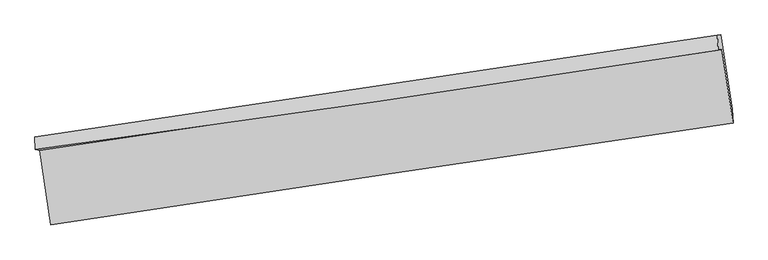
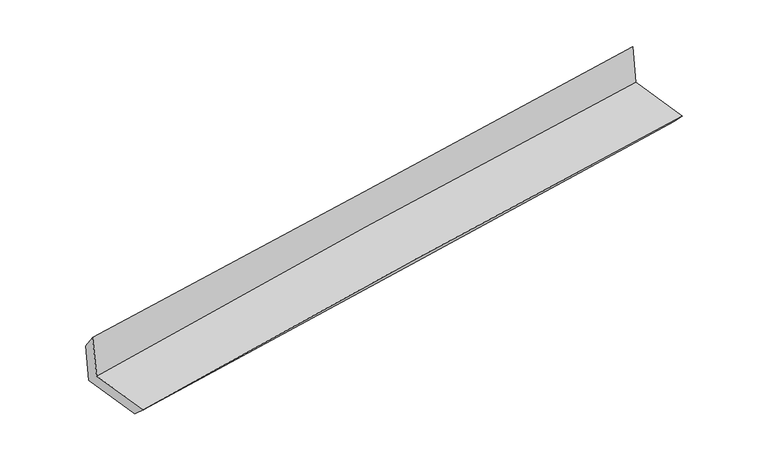
"""IFC4 building model written with IfcOpenShell, lengths in millimetres: proxy geometry."""

from ifc_helpers import new_model, si_unit, frame, origin, place, context, project, spatial, source, transform, mapped, element, save
from ifc_brep_helpers import plane_surface, spline_curve, spline_surface, advanced_brep


def generic_models_26149df8(model_context):
    return source(origin(), model_context, "Body", "AdvancedBrep", [
        advanced_brep(
        [(-3000.4746705, -1936.881304, 1629.2561973), (-2903.0983198, -2587.9537327, 1630.9642078), (3049.2287803, -1699.8878855, 2143.5843973), (2952.2999926, -1057.739569, 2152.3045037), (-3037.4958661, -1931.1879226, 2053.4458427), (2919.3003131, -1061.6417995, 2546.1859304), (-3040.8411796, -1820.1413997, 1897.6020113), (2911.4859205, -932.0755525, 2410.2222008), (-3008.5769126, -1816.3261321, 1512.4984069), (2943.7501875, -928.2602848, 2025.1185964), (-2912.4944679, -2455.818361, 1509.0383498), (3041.2565657, -1577.3398915, 2021.8007788)],
        [
            (0, 1),
            (1, 2, spline_curve(3, [(-2903.0983198, -2587.9537327, 1630.9642078), (-1912.865639926, -2435.729246794, 1730.265353858), (-921.717876877, -2285.610913724, 1822.634575974), (1062.391186881, -1989.589035483, 1993.507740226), (2055.352457477, -1843.685419116, 2072.011914549), (3049.2287803, -1699.8878855, 2143.5843973)], [4, 2, 4], [0.0, 9.908549506552642, 19.816932937597144])),
            (2, 3),
            (3, 0, spline_curve(3, [(2952.2999926, -1057.739569, 2152.3045037), (1958.507210991, -1203.02335914, 2082.363180975), (965.550414843, -1348.926445992, 2003.805598219), (-1018.707834089, -1641.973670486, 1829.45645145), (-2010.009259275, -1789.117828408, 1733.66459885), (-3000.4746705, -1936.881304, 1629.2561973)], [4, 2, 4], [0.0, 9.908383431044502, 19.816932937597144])),
            (4, 0),
            (3, 5),
            (5, 4, spline_curve(3, [(2919.3003131, -1061.6417995, 2546.1859304), (1927.433203139, -1215.086223398, 2467.995970987), (935.104130386, -1364.27004064, 2387.839677914), (-1050.494580266, -1654.118891234, 2223.593048219), (-2043.764234069, -1794.783781409, 2139.502645284), (-3037.4958661, -1931.1879226, 2053.4458427)], [4, 2, 4], [0.0, 9.90824719420631, 19.816660461637284])),
            (6, 4),
            (5, 7),
            (7, 6, spline_curve(3, [(2911.4859205, -932.0755525, 2410.2222008), (1918.942059054, -1079.07045245, 2328.639264116), (926.647024678, -1226.572765127, 2245.129820512), (-1057.462016874, -1522.59469748, 2074.256488687), (-2049.276016092, -1671.114333773, 1986.892535426), (-3040.8411796, -1820.1413997, 1897.6020113)], [4, 2, 4], [0.0, 9.90812169476963, 19.81640946066041])),
            (8, 6),
            (7, 9),
            (9, 8, spline_curve(3, [(2943.7501875, -928.2602848, 2025.1185964), (1951.203889135, -1075.255472888, 1943.564745582), (958.90763644, -1222.757929739, 1860.069845319), (-1025.201405236, -1518.779862068, 1689.19651368), (-2017.014185927, -1667.299354341, 1601.818017523), (-3008.5769126, -1816.3261321, 1512.4984069)], [4, 2, 4], [0.0, 9.90807824973472, 19.816322569862404])),
            (10, 8),
            (9, 11),
            (11, 10, spline_curve(3, [(3041.2565657, -1577.3398915, 2021.8007788), (2049.954755348, -1732.637468773, 1940.236363094), (1058.162093081, -1883.492220332, 1856.724327413), (-926.421568455, -2176.318525895, 1685.803582989), (-1919.212583748, -2318.289930928, 1598.394809201), (-2912.4944679, -2455.818361, 1509.0383498)], [4, 2, 4], [0.0, 9.908110735174796, 19.81638754128705])),
            (1, 10),
            (11, 2),
        ],
        [
            spline_surface(3, 3, [[(-3000.4746705, -1936.881304, 1629.2561973), (-2010.009259266, -1789.117828284, 1733.664598833), (-1018.707834143, -1641.973670361, 1829.456451511), (965.550414897, -1348.926446117, 2003.805598159), (1958.507210843, -1203.023359049, 2082.363180907), (2952.2999926, -1057.739569, 2152.3045037)], [(-2968.015886929, -2153.905446917, 1629.825534137), (-1977.628052818, -2004.654967761, 1732.531517211), (-986.377848445, -1856.519418188, 1827.182493022), (997.830672261, -1562.480642533, 2000.372978833), (1990.788959739, -1416.577379091, 2078.912758786), (2984.609588517, -1271.789007843, 2149.397801552)], [(-2935.557103371, -2370.929589783, 1630.394870963), (-1945.246846384, -2220.192107187, 1731.398435578), (-954.047862715, -2071.065166015, 1824.908534521), (1030.110929656, -1776.034838949, 1996.940359493), (2023.070708582, -1630.131399102, 2075.462336708), (3016.919184383, -1485.838446657, 2146.491099448)], [(-2903.0983198, -2587.9537327, 1630.9642078), (-1912.865639936, -2435.729246664, 1730.265353956), (-921.717877016, -2285.610913842, 1822.634576033), (1062.39118702, -1989.589035365, 1993.507740167), (2055.352457478, -1843.685419144, 2072.011914587), (3049.2287803, -1699.8878855, 2143.5843973)]], [4, 4], [4, 2, 4], [0.0, 2.1308351861625647], [0.0, 9.908549506552642, 19.816932937597144]),
            spline_surface(3, 3, [[(-3037.4958661, -1931.1879226, 2053.4458427), (-2043.764234149, -1794.783781551, 2139.502645244), (-1050.494580392, -1654.118891197, 2223.593048075), (935.104130512, -1364.270040677, 2387.839678059), (1927.433203175, -1215.08622332, 2467.995971127), (2919.3003131, -1061.6417995, 2546.1859304)], [(-3025.155467566, -1933.085716382, 1912.049294224), (-2032.512575854, -1792.895130444, 2004.223296431), (-1039.898998308, -1650.070484268, 2092.214182538), (945.252891974, -1359.155509173, 2259.828318076), (1937.791205723, -1211.065268534, 2339.451707732), (2930.300206259, -1060.341055971, 2414.892121511)], [(-3012.815069034, -1934.983510218, 1770.652745776), (-2021.26091756, -1791.006479391, 1868.943947646), (-1029.303416227, -1646.02207729, 1960.835317048), (955.401653434, -1354.040977621, 2131.816958141), (1948.149208295, -1207.044313834, 2210.907444303), (2941.300099441, -1059.040312529, 2283.598312589)], [(-3000.4746705, -1936.881304, 1629.2561973), (-2010.009259266, -1789.117828284, 1733.664598833), (-1018.707834143, -1641.973670361, 1829.456451511), (965.550414897, -1348.926446117, 2003.805598159), (1958.507210843, -1203.023359049, 2082.363180907), (2952.2999926, -1057.739569, 2152.3045037)]], [4, 4], [4, 2, 4], [0.0, 1.2813963260201555], [0.0, 9.908413267430973, 19.816660461637284]),
            spline_surface(3, 3, [[(-3040.8411796, -1820.1413997, 1897.6020113), (-2049.276016114, -1671.114333628, 1986.892535586), (-1057.462016949, -1522.594697338, 2074.256488639), (926.647024753, -1226.572765269, 2245.129820559), (1918.942058966, -1079.070452516, 2328.639264003), (2911.4859205, -932.0755525, 2410.2222008)], [(-3039.726075095, -1857.15690734, 1949.54995511), (-2047.438755454, -1712.337482942, 2037.762572149), (-1055.139538071, -1566.436095263, 2124.035341789), (929.466060032, -1272.471857044, 2292.699773064), (1921.772440369, -1124.409042808, 2375.09149972), (2914.090718034, -975.264301524, 2455.543444009)], [(-3038.610970605, -1894.17241496, 2001.49789889), (-2045.601494809, -1753.560632237, 2088.632608681), (-1052.81705927, -1610.277493272, 2173.814194925), (932.285095234, -1318.370948902, 2340.269725554), (1924.602821771, -1169.747633028, 2421.54373541), (2916.695515566, -1018.453050476, 2500.864687191)], [(-3037.4958661, -1931.1879226, 2053.4458427), (-2043.764234149, -1794.783781551, 2139.502645244), (-1050.494580392, -1654.118891197, 2223.593048075), (935.104130512, -1364.270040677, 2387.839678059), (1927.433203175, -1215.08622332, 2467.995971127), (2919.3003131, -1061.6417995, 2546.1859304)]], [4, 4], [4, 2, 4], [0.0, 0.6520730863280374], [0.0, 9.90828776589078, 19.81640946066041]),
            spline_surface(3, 3, [[(-3008.5769126, -1816.3261321, 1512.4984069), (-2017.014185994, -1667.29935419, 1601.818017586), (-1025.20140527, -1518.77986194, 1689.196513783), (958.907636474, -1222.757929867, 1860.069845216), (1951.203889127, -1075.255472974, 1943.564745516), (2943.7501875, -928.2602848, 2025.1185964)], [(-3019.33166826, -1817.597887982, 1640.866275013), (-2027.768129361, -1668.571014018, 1730.176190232), (-1035.954942493, -1520.051473742, 1817.549838736), (948.154099237, -1224.02954167, 1988.423170331), (1940.449945746, -1076.527132803, 2071.922918324), (2932.99543184, -929.532040682, 2153.486464513)], [(-3030.08642394, -1818.869643818, 1769.234143187), (-2038.522072748, -1669.8426738, 1858.53436294), (-1046.708479726, -1521.323085537, 1945.903163686), (937.40056199, -1225.301153467, 2116.776495444), (1929.696002346, -1077.798792687, 2200.281091194), (2922.24067616, -930.803796618, 2281.854332687)], [(-3040.8411796, -1820.1413997, 1897.6020113), (-2049.276016114, -1671.114333628, 1986.892535586), (-1057.462016949, -1522.594697338, 2074.256488639), (926.647024753, -1226.572765269, 2245.129820559), (1918.942058966, -1079.070452516, 2328.639264003), (2911.4859205, -932.0755525, 2410.2222008)]], [4, 4], [4, 2, 4], [0.0, 1.2678079119467291], [0.0, 9.908244320127684, 19.816322569862404]),
            spline_surface(3, 3, [[(-2912.4944679, -2455.818361, 1509.0383498), (-1919.212583747, -2318.289930776, 1598.394809114), (-926.421568403, -2176.318525825, 1685.803583024), (1058.162093029, -1883.492220402, 1856.724327378), (2049.954755512, -1732.63746883, 1940.236363182), (3041.2565657, -1577.3398915, 2021.8007788)], [(-2944.521949451, -2242.654284686, 1510.191702162), (-1951.813117814, -2101.2930719, 1599.5358786), (-959.3481807, -1957.138971215, 1686.934559962), (1025.077274169, -1663.247456908, 1857.839500009), (2017.03780004, -1513.510136874, 1941.34582398), (3008.754439623, -1360.980022596, 2022.906718021)], [(-2976.549431049, -2029.490208414, 1511.345054538), (-1984.413651927, -1884.296213066, 1600.676948099), (-992.274792972, -1737.95941655, 1688.065536844), (991.992455334, -1443.00269336, 1858.954672584), (1984.120844598, -1294.38280493, 1942.455284717), (2976.252313577, -1144.620153704, 2024.012657179)], [(-3008.5769126, -1816.3261321, 1512.4984069), (-2017.014185994, -1667.29935419, 1601.818017586), (-1025.20140527, -1518.77986194, 1689.196513783), (958.907636474, -1222.757929867, 1860.069845216), (1951.203889127, -1075.255472974, 1943.564745516), (2943.7501875, -928.2602848, 2025.1185964)]], [4, 4], [4, 2, 4], [0.0, 2.18681357047502], [0.0, 9.908276806112253, 19.81638754128705]),
            spline_surface(3, 3, [[(-2903.0983198, -2587.9537327, 1630.9642078), (-1912.865639936, -2435.729246664, 1730.265353956), (-921.717877016, -2285.610913842, 1822.634576033), (1062.39118702, -1989.589035365, 1993.507740167), (2055.352457478, -1843.685419144, 2072.011914587), (3049.2287803, -1699.8878855, 2143.5843973)], [(-2906.230369198, -2543.908608794, 1590.322255153), (-1914.981287905, -2396.582808028, 1686.308505695), (-923.285774156, -2249.180117828, 1777.024245017), (1060.981489012, -1954.223430369, 1947.913269224), (2053.553223482, -1806.669435723, 2028.08673078), (3046.571375427, -1659.038554184, 2102.989857795)], [(-2909.362418502, -2499.863484906, 1549.680302447), (-1917.096935778, -2357.436369412, 1642.351657375), (-924.853671263, -2212.749321839, 1731.41391404), (1059.571791037, -1918.857825398, 1902.318798321), (2051.753989507, -1769.653452251, 1984.161546989), (3043.913970573, -1618.189222816, 2062.395318305)], [(-2912.4944679, -2455.818361, 1509.0383498), (-1919.212583747, -2318.289930776, 1598.394809114), (-926.421568403, -2176.318525825, 1685.803583024), (1058.162093029, -1883.492220402, 1856.724327378), (2049.954755512, -1732.63746883, 1940.236363182), (3041.2565657, -1577.3398915, 2021.8007788)]], [4, 4], [4, 2, 4], [0.0, 0.5714154421637653], [0.0, 9.90833538018196, 19.816504688444713]),
            plane_surface(frame((2969.5536266, -1209.4908305, 2216.5360679), z_axis=(0.9854698748419277, 0.147610270140911, 0.08402579323019077), x_axis=(-0.08348417837804525, -0.009872050863723267, 0.9964602022019178))),
            plane_surface(frame((-2983.8302361, -2091.3848087, 1705.4675026), z_axis=(-0.9854698748419934, -0.14761027014064468, -0.08402579322988646), x_axis=(-0.14791726653605664, 0.9889963350593121, -0.002594513393745962))),
        ],
        [
            (0, [[1, 2, 3, 4]]),
            (1, [[5, -4, 6, 7]]),
            (2, [[8, -7, 9, 10]]),
            (3, [[11, -10, 12, 13]]),
            (4, [[14, -13, 15, 16]]),
            (5, [[17, -16, 18, -2]]),
            (6, [[-12, -9, -6, -3, -18, -15]]),
            (7, [[-1, -5, -8, -11, -14, -17]]),
        ],
    ),
    ])


if __name__ == "__main__":
    model = new_model("IFC4")
    model_context = context("Model", 3, world=origin())
    ifc_project = project(units=[si_unit("LENGTHUNIT", "METRE", prefix="MILLI")], contexts=[model_context])
    site = spatial("IfcSite", under=ifc_project)
    building = spatial("IfcBuilding", under=site)
    placement = place(None, origin())
    generic_models_shape = generic_models_26149df8(model_context)
    element("IfcBuildingElementProxy", 1, Name="Generic Models", at=placement, inside=building, context=model_context, shape_type="MappedRepresentation", body=[
        mapped(generic_models_shape, transform((0.0, 0.0, 0.0), x_axis=(1.0, 0.0, 0.0), y_axis=(0.0, 1.0, 0.0), z_axis=(0.0, 0.0, 1.0))),
    ])
    save(model, "model.ifc")
